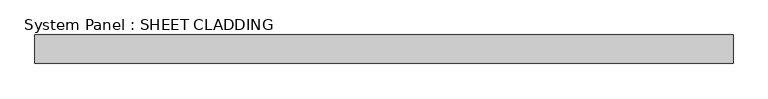
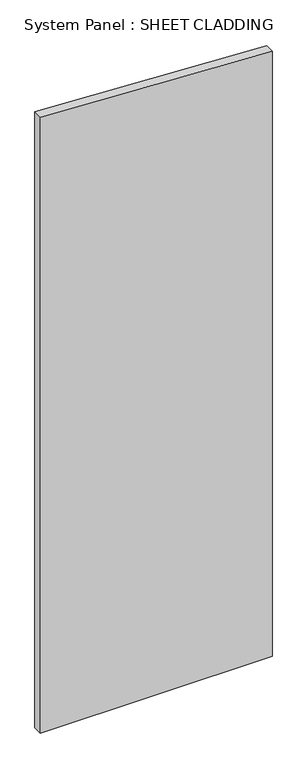
"""IFC4 building model written with IfcOpenShell, lengths in millimetres: plate geometry, System Panel : SHEET CLADDING."""

from ifc_helpers import new_model, si_unit, frame, origin, place, context, project, spatial, polyline, outline, extrude, source, transform, mapped, element, save


def system_panel_sheet_cladding_176d75be(model_context):
    return source(origin(), model_context, "Body", "SweptSolid", [
        extrude(outline(polyline([(0.0, -735.4591837), (0.0, 735.4591837), (4060.9928571, 735.4591837), (4134.5387755, -735.4591837), (0.0, -735.4591837)])), frame((0.0, -10.5, 0.0), z_axis=(0.0, 1.0, 0.0), x_axis=(0.0, 0.0, 1.0)), (0.0, 0.0, 1.0), 60.0),
    ])


if __name__ == "__main__":
    model = new_model("IFC4")
    model_context = context("Model", 3, world=origin())
    ifc_project = project(units=[si_unit("LENGTHUNIT", "METRE", prefix="MILLI")], contexts=[model_context])
    site = spatial("IfcSite", under=ifc_project)
    building = spatial("IfcBuilding", under=site)
    placement = place(None, origin())
    system_panel_sheet_cladding_shape = system_panel_sheet_cladding_176d75be(model_context)
    element("IfcPlate", 1, ObjectType="System Panel : SHEET CLADDING", at=placement, inside=building, context=model_context, shape_type="MappedRepresentation", body=[
        mapped(system_panel_sheet_cladding_shape, transform((0.0, 0.0, 0.0), x_axis=(1.0, 0.0, 0.0), y_axis=(0.0, 1.0, 0.0), z_axis=(0.0, 0.0, 1.0))),
    ])
    save(model, "model.ifc")
